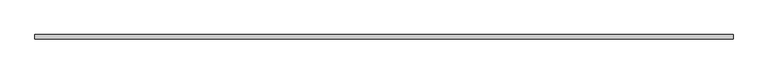
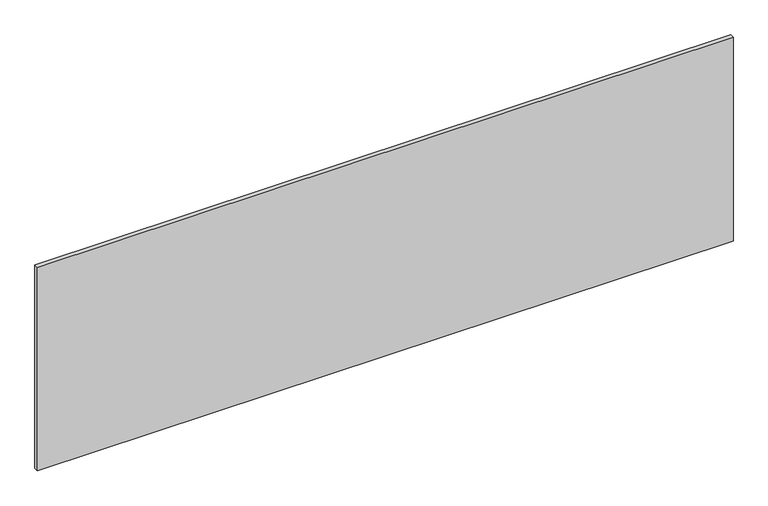
"""IFC4 building model written with IfcOpenShell, lengths in millimetres: plate geometry."""

from ifc_helpers import new_model, si_unit, origin, origin_with_axes, place, context, project, spatial, polyline, outline, extrude, source, transform, mapped, element, save


def plate_993f3144(model_context):
    return source(origin(), model_context, "Body", "SweptSolid", [
        extrude(outline(polyline([(1420.0, 8.75), (1420.0, -8.75), (-1420.0, -8.75), (-1420.0, 8.75), (1420.0, 8.75)])), origin_with_axes(), (0.0, 0.0, 1.0), 879.0),
    ])


if __name__ == "__main__":
    model = new_model("IFC4")
    model_context = context("Model", 3, world=origin())
    ifc_project = project(units=[si_unit("LENGTHUNIT", "METRE", prefix="MILLI")], contexts=[model_context])
    site = spatial("IfcSite", under=ifc_project)
    building = spatial("IfcBuilding", under=site)
    placement = place(None, origin())
    plate_shape = plate_993f3144(model_context)
    element("IfcPlate", 1, at=placement, inside=building, context=model_context, shape_type="MappedRepresentation", body=[
        mapped(plate_shape, transform((0.0, 0.0, 0.0), x_axis=(1.0, 0.0, 0.0), y_axis=(0.0, 1.0, 0.0), z_axis=(0.0, 0.0, 1.0))),
    ])
    save(model, "model.ifc")
